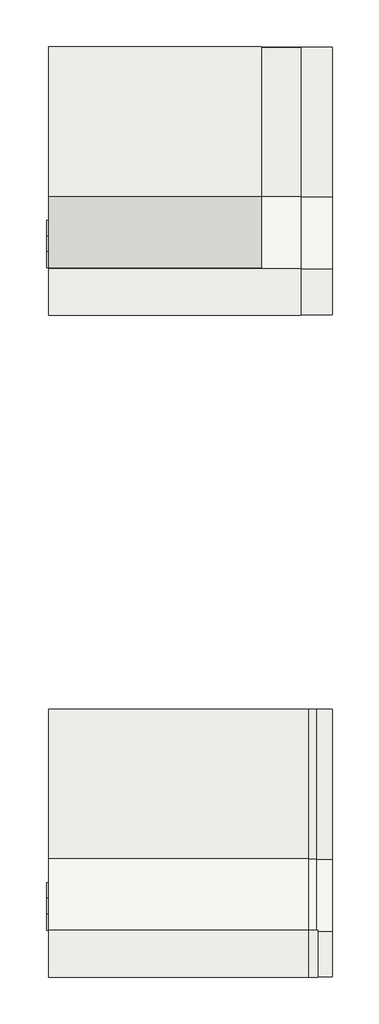
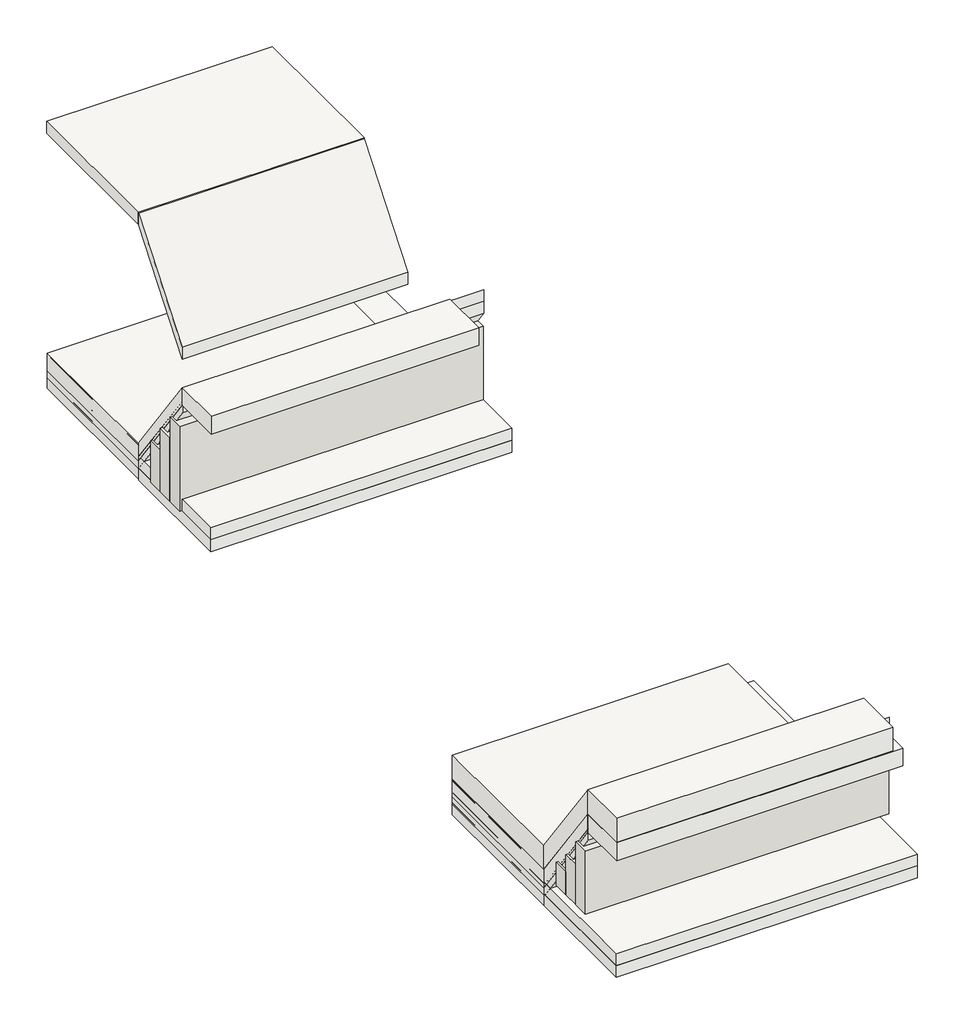
# One storey: 25 slabs, 6 walls.
"""IFC4 building model written with IfcOpenShell, lengths in millimetres."""

from ifc_helpers import new_model, si_unit, frame, origin, place, context, project, spatial, polyline, outline, extrude, element, save

model = new_model("IFC4")

# Units and contexts
model_context = context("Model", 3, world=origin())
ifc_project = project(units=[si_unit("LENGTHUNIT", "METRE", prefix="MILLI")], contexts=[model_context])

# Site, building, storey
site = spatial("IfcSite", under=ifc_project)
building = spatial("IfcBuilding", under=site)
storey = spatial("IfcBuildingStorey", under=building, Elevation=-300.0)

# Slabs
placement = place(None, origin())
element("IfcSlab", 1, at=placement, inside=storey, context=model_context, shape_type="SweptSolid", body=[
    extrude(outline(polyline([(-19894.979927, -21105.6445935), (-19894.979927, -21702.984886), (-23094.979927, -21702.984886), (-23094.979927, -21105.6445935), (-19894.979927, -21105.6445935)])), frame((0.0, 0.0, -1455.6081123), z_axis=(0.0, 0.0, 1.0), x_axis=(1.0, 0.0, 0.0)), (0.0, 0.0, 1.0), 225.0),
])
element("IfcSlab", 2, at=placement, inside=storey, context=model_context, shape_type="SweptSolid", body=[
    extrude(outline(polyline([(-21105.6445935, -1455.6081123), (-21105.6445935, -1230.6081123), (-20202.984886, -2473.6081123), (-20202.984886, -2698.6081123), (-21105.6445935, -1455.6081123)])), frame((-23094.979927, 0.0, 0.0), z_axis=(1.0, 0.0, 0.0), x_axis=(0.0, 1.0, 0.0)), (0.0, 0.0, 1.0), 3200.0),
])
element("IfcSlab", 3, at=placement, inside=storey, context=model_context, shape_type="SweptSolid", body=[
    extrude(outline(polyline([(-23094.979927, -18313.5630736), (-19894.979927, -18313.5630736), (-19894.979927, -20203.3454281), (-23094.979927, -20203.3454281), (-23094.979927, -18313.5630736)])), frame((0.0, 0.0, -2711.259116), z_axis=(0.0, 0.0, 1.0), x_axis=(1.0, 0.0, 0.0)), (0.0, 0.0, 1.0), 225.0),
])
element("IfcSlab", 4, at=placement, inside=storey, context=model_context, shape_type="SweptSolid", body=[
    extrude(outline(polyline([(-23094.979927, -18296.3978419), (-20394.979927, -18296.3978419), (-20394.979927, -20196.3978419), (-23094.979927, -20196.3978419), (-23094.979927, -18296.3978419)])), frame((0.0, 0.0, 282.1898741), z_axis=(0.0, 0.0, 1.0), x_axis=(1.0, 0.0, 0.0)), (0.0, 0.0, 1.0), 150.0),
])
element("IfcSlab", 5, at=placement, inside=storey, context=model_context, shape_type="SweptSolid", body=[
    extrude(outline(polyline([(-23094.979927, -18306.2016108), (-19494.979927, -18306.2016108), (-19494.979927, -20206.2016108), (-23094.979927, -20206.2016108), (-23094.979927, -18306.2016108)])), frame((0.0, 0.0, -2653.3296996), z_axis=(0.0, 0.0, 1.0), x_axis=(1.0, 0.0, 0.0)), (0.0, 0.0, 1.0), 150.0),
])
element("IfcSlab", 6, at=placement, inside=storey, context=model_context, shape_type="SweptSolid", body=[
    extrude(outline(polyline([(-23094.979927, -18306.1776849), (-19494.979927, -18306.1776849), (-19494.979927, -20206.1776849), (-23094.979927, -20206.1776849), (-23094.979927, -18306.1776849)])), frame((0.0, 0.0, -2802.0947527), z_axis=(0.0, 0.0, 1.0), x_axis=(1.0, 0.0, 0.0)), (0.0, 0.0, 1.0), 150.0),
])
element("IfcSlab", 7, at=placement, inside=storey, context=model_context, shape_type="SweptSolid", body=[
    extrude(outline(polyline([(-23094.979927, -18306.2016108), (-19494.979927, -18306.2016108), (-19494.979927, -20206.2016108), (-23094.979927, -20206.2016108), (-23094.979927, -18306.2016108)])), frame((0.0, 0.0, -2933.3296996), z_axis=(0.0, 0.0, 1.0), x_axis=(1.0, 0.0, 0.0)), (0.0, 0.0, 1.0), 150.0),
])
element("IfcSlab", 8, at=placement, inside=storey, context=model_context, shape_type="SweptSolid", body=[
    extrude(outline(polyline([(-23094.979927, -20206.3432829), (-19494.979927, -20206.3432829), (-19494.979927, -21698.4959671), (-23094.979927, -21698.4959671), (-23094.979927, -20206.3432829)])), frame((0.0, 0.0, -2945.3009667), z_axis=(0.0, 0.0, 1.0), x_axis=(1.0, 0.0, 0.0)), (0.0, 0.0, 1.0), 150.0),
])
element("IfcSlab", 9, at=placement, inside=storey, context=model_context, shape_type="SweptSolid", body=[
    extrude(outline(polyline([(-23094.979927, -20206.3432829), (-19494.979927, -20206.3432829), (-19494.979927, -21698.4959671), (-23094.979927, -21698.4959671), (-23094.979927, -20206.3432829)])), frame((0.0, 0.0, -2795.3009667), z_axis=(0.0, 0.0, 1.0), x_axis=(1.0, 0.0, 0.0)), (0.0, 0.0, 1.0), 150.0),
])
element("IfcSlab", 10, at=placement, inside=storey, context=model_context, shape_type="SweptSolid", body=[
    extrude(outline(polyline([(-21112.0989097, -1399.9383582), (-21112.0989097, -1249.9383582), (-20209.4392022, -2492.9383582), (-20209.4392022, -2642.9383582), (-21112.0989097, -1399.9383582)])), frame((-23094.979927, 0.0, 0.0), z_axis=(1.0, 0.0, 0.0), x_axis=(0.0, 1.0, 0.0)), (0.0, 0.0, 1.0), 3600.0),
])
element("IfcSlab", 11, at=placement, inside=storey, context=model_context, shape_type="SweptSolid", body=[
    extrude(outline(polyline([(-21115.0562771, -1543.9382826), (-21115.0562771, -1393.9382826), (-20212.5994561, -2636.9382826), (-20212.5994561, -2786.9382826), (-21115.0562771, -1543.9382826)])), frame((-23094.979927, 0.0, 0.0), z_axis=(1.0, 0.0, 0.0), x_axis=(0.0, 1.0, 0.0)), (0.0, 0.0, 1.0), 3600.0),
])
element("IfcSlab", 12, at=placement, inside=storey, context=model_context, shape_type="SweptSolid", body=[
    extrude(outline(polyline([(-21104.7297194, -870.6081123), (-21104.7297194, -720.6081123), (-20202.0700119, 423.740884), (-20202.0700119, 273.740884), (-21104.7297194, -870.6081123)])), frame((-23094.979927, 0.0, 0.0), z_axis=(1.0, 0.0, 0.0), x_axis=(0.0, 1.0, 0.0)), (0.0, 0.0, 1.0), 2700.0),
])
element("IfcSlab", 13, at=placement, inside=storey, context=model_context, shape_type="SweptSolid", body=[
    extrude(outline(polyline([(-19674.979927, -29505.6445935), (-19674.979927, -30102.984886), (-23094.979927, -30102.984886), (-23094.979927, -29505.6445935), (-19674.979927, -29505.6445935)])), frame((0.0, 0.0, -1754.8936921), z_axis=(0.0, 0.0, 1.0), x_axis=(1.0, 0.0, 0.0)), (0.0, 0.0, 1.0), 225.0),
])
element("IfcSlab", 14, at=placement, inside=storey, context=model_context, shape_type="SweptSolid", body=[
    extrude(outline(polyline([(-29505.6445935, -1754.8936921), (-29505.6445935, -1529.8936921), (-28602.984886, -2772.8936921), (-28602.984886, -2997.8936921), (-29505.6445935, -1754.8936921)])), frame((-23094.979927, 0.0, 0.0), z_axis=(1.0, 0.0, 0.0), x_axis=(0.0, 1.0, 0.0)), (0.0, 0.0, 1.0), 3400.0),
])
element("IfcSlab", 15, at=placement, inside=storey, context=model_context, shape_type="SweptSolid", body=[
    extrude(outline(polyline([(-23094.979927, -26703.3454281), (-19694.979927, -26703.3454281), (-19694.979927, -28603.3454281), (-23094.979927, -28603.3454281), (-23094.979927, -26703.3454281)])), frame((0.0, 0.0, -3010.5446958), z_axis=(0.0, 0.0, 1.0), x_axis=(1.0, 0.0, 0.0)), (0.0, 0.0, 1.0), 225.0),
])
element("IfcSlab", 16, at=placement, inside=storey, context=model_context, shape_type="SweptSolid", body=[
    extrude(outline(polyline([(-19794.979927, -29502.9863058), (-19794.979927, -30100.3265982), (-23094.979927, -30100.3265982), (-23094.979927, -29502.9863058), (-19794.979927, -29502.9863058)])), frame((0.0, 0.0, -1522.185462), z_axis=(0.0, 0.0, 1.0), x_axis=(1.0, 0.0, 0.0)), (0.0, 0.0, 1.0), 300.0),
])
element("IfcSlab", 17, at=placement, inside=storey, context=model_context, shape_type="SweptSolid", body=[
    extrude(outline(polyline([(-29500.2435429, -1530.4619342), (-29500.2435429, -1230.4619342), (-28597.5838354, -2473.4619342), (-28597.5838354, -2773.4619342), (-29500.2435429, -1530.4619342)])), frame((-23094.979927, 0.0, 0.0), z_axis=(1.0, 0.0, 0.0), x_axis=(0.0, 1.0, 0.0)), (0.0, 0.0, 1.0), 3300.0),
])
element("IfcSlab", 18, at=placement, inside=storey, context=model_context, shape_type="SweptSolid", body=[
    extrude(outline(polyline([(-23094.979927, -26699.4085888), (-19794.979927, -26699.4085888), (-19794.979927, -28599.4085888), (-23094.979927, -28599.4085888), (-23094.979927, -26699.4085888)])), frame((0.0, 0.0, -2786.9346648), z_axis=(0.0, 0.0, 1.0), x_axis=(1.0, 0.0, 0.0)), (0.0, 0.0, 1.0), 300.0),
])
element("IfcSlab", 19, at=placement, inside=storey, context=model_context, shape_type="SweptSolid", body=[
    extrude(outline(polyline([(-23094.979927, -26703.2442434), (-19494.979927, -26703.2442434), (-19494.979927, -28603.2442434), (-23094.979927, -28603.2442434), (-23094.979927, -26703.2442434)])), frame((0.0, 0.0, -2954.9811733), z_axis=(0.0, 0.0, 1.0), x_axis=(1.0, 0.0, 0.0)), (0.0, 0.0, 1.0), 150.0),
])
element("IfcSlab", 20, at=placement, inside=storey, context=model_context, shape_type="SweptSolid", body=[
    extrude(outline(polyline([(-23094.979927, -26703.2203175), (-19494.979927, -26703.2203175), (-19494.979927, -28603.2203175), (-23094.979927, -28603.2203175), (-23094.979927, -26703.2203175)])), frame((0.0, 0.0, -3103.7462264), z_axis=(0.0, 0.0, 1.0), x_axis=(1.0, 0.0, 0.0)), (0.0, 0.0, 1.0), 150.0),
])
element("IfcSlab", 21, at=placement, inside=storey, context=model_context, shape_type="SweptSolid", body=[
    extrude(outline(polyline([(-23094.979927, -26703.2442434), (-19494.979927, -26703.2442434), (-19494.979927, -28603.2442434), (-23094.979927, -28603.2442434), (-23094.979927, -26703.2442434)])), frame((0.0, 0.0, -3234.9811733), z_axis=(0.0, 0.0, 1.0), x_axis=(1.0, 0.0, 0.0)), (0.0, 0.0, 1.0), 150.0),
])
element("IfcSlab", 22, at=placement, inside=storey, context=model_context, shape_type="SweptSolid", body=[
    extrude(outline(polyline([(-23094.979927, -28603.3859155), (-19494.979927, -28603.3859155), (-19494.979927, -30095.5385997), (-23094.979927, -30095.5385997), (-23094.979927, -28603.3859155)])), frame((0.0, 0.0, -3235.1229709), z_axis=(0.0, 0.0, 1.0), x_axis=(1.0, 0.0, 0.0)), (0.0, 0.0, 1.0), 150.0),
])
element("IfcSlab", 23, at=placement, inside=storey, context=model_context, shape_type="SweptSolid", body=[
    extrude(outline(polyline([(-23094.979927, -28603.3859155), (-19494.979927, -28603.3859155), (-19494.979927, -30095.5385997), (-23094.979927, -30095.5385997), (-23094.979927, -28603.3859155)])), frame((0.0, 0.0, -3085.1229709), z_axis=(0.0, 0.0, 1.0), x_axis=(1.0, 0.0, 0.0)), (0.0, 0.0, 1.0), 150.0),
])
element("IfcSlab", 24, at=placement, inside=storey, context=model_context, shape_type="SweptSolid", body=[
    extrude(outline(polyline([(-29515.0562771, -1710.4619342), (-29515.0562771, -1560.4619342), (-28612.3965696, -2803.4619342), (-28612.3965696, -2953.4619342), (-29515.0562771, -1710.4619342)])), frame((-23094.979927, 0.0, 0.0), z_axis=(1.0, 0.0, 0.0), x_axis=(0.0, 1.0, 0.0)), (0.0, 0.0, 1.0), 3600.0),
])
element("IfcSlab", 25, at=placement, inside=storey, context=model_context, shape_type="SweptSolid", body=[
    extrude(outline(polyline([(-29515.0562771, -1854.4618585), (-29515.0562771, -1704.4618585), (-28615.5568235, -2947.4618585), (-28615.5568235, -3097.4618585), (-29515.0562771, -1854.4618585)])), frame((-23094.979927, 0.0, 0.0), z_axis=(1.0, 0.0, 0.0), x_axis=(0.0, 1.0, 0.0)), (0.0, 0.0, 1.0), 3600.0),
])

# Walls
element("IfcWall", 26, at=placement, inside=storey, context=model_context, shape_type="SweptSolid", body=[
    extrude(outline(polyline([(-23122.7450169, -20901.3666323), (-19494.979927, -20901.3666323), (-19494.979927, -21101.3666323), (-23122.7450169, -21101.3666323), (-23122.7450169, -20901.3666323)])), frame((0.0, 0.0, -2785.1229709), z_axis=(0.0, 0.0, 1.0), x_axis=(1.0, 0.0, 0.0)), (0.0, 0.0, 1.0), 1065.1229709),
])
element("IfcWall", 27, at=placement, inside=storey, context=model_context, shape_type="SweptSolid", body=[
    extrude(outline(polyline([(-23122.7450169, -20699.4358004), (-19494.979927, -20699.4358004), (-19494.979927, -20899.4358004), (-23122.7450169, -20899.4358004), (-23122.7450169, -20699.4358004)])), frame((0.0, 0.0, -2785.1229709), z_axis=(0.0, 0.0, 1.0), x_axis=(1.0, 0.0, 0.0)), (0.0, 0.0, 1.0), 805.1229709),
])
element("IfcWall", 28, at=placement, inside=storey, context=model_context, shape_type="SweptSolid", body=[
    extrude(outline(polyline([(-23122.7450169, -20499.4358004), (-19494.979927, -20499.4358004), (-19494.979927, -20699.4358004), (-23122.7450169, -20699.4358004), (-23122.7450169, -20499.4358004)])), frame((0.0, 0.0, -2785.1229709), z_axis=(0.0, 0.0, 1.0), x_axis=(1.0, 0.0, 0.0)), (0.0, 0.0, 1.0), 525.1229709),
])
element("IfcWall", 29, at=placement, inside=storey, context=model_context, shape_type="SweptSolid", body=[
    extrude(outline(polyline([(-23122.7450169, -29301.3666323), (-19494.979927, -29301.3666323), (-19494.979927, -29501.3666323), (-23122.7450169, -29501.3666323), (-23122.7450169, -29301.3666323)])), frame((0.0, 0.0, -2785.1229709), z_axis=(0.0, 0.0, 1.0), x_axis=(1.0, 0.0, 0.0)), (0.0, 0.0, 1.0), 794.4320549),
])
element("IfcWall", 30, at=placement, inside=storey, context=model_context, shape_type="SweptSolid", body=[
    extrude(outline(polyline([(-23122.7450169, -29099.4358004), (-19494.979927, -29099.4358004), (-19494.979927, -29299.4358004), (-23122.7450169, -29299.4358004), (-23122.7450169, -29099.4358004)])), frame((0.0, 0.0, -2785.1229709), z_axis=(0.0, 0.0, 1.0), x_axis=(1.0, 0.0, 0.0)), (0.0, 0.0, 1.0), 505.2828177),
])
element("IfcWall", 31, at=placement, inside=storey, context=model_context, shape_type="SweptSolid", body=[
    extrude(outline(polyline([(-23122.7450169, -28899.4358004), (-19494.979927, -28899.4358004), (-19494.979927, -29099.4358004), (-23122.7450169, -29099.4358004), (-23122.7450169, -28899.4358004)])), frame((0.0, 0.0, -2785.1229709), z_axis=(0.0, 0.0, 1.0), x_axis=(1.0, 0.0, 0.0)), (0.0, 0.0, 1.0), 289.2637881),
])

save(model, "model.ifc")
